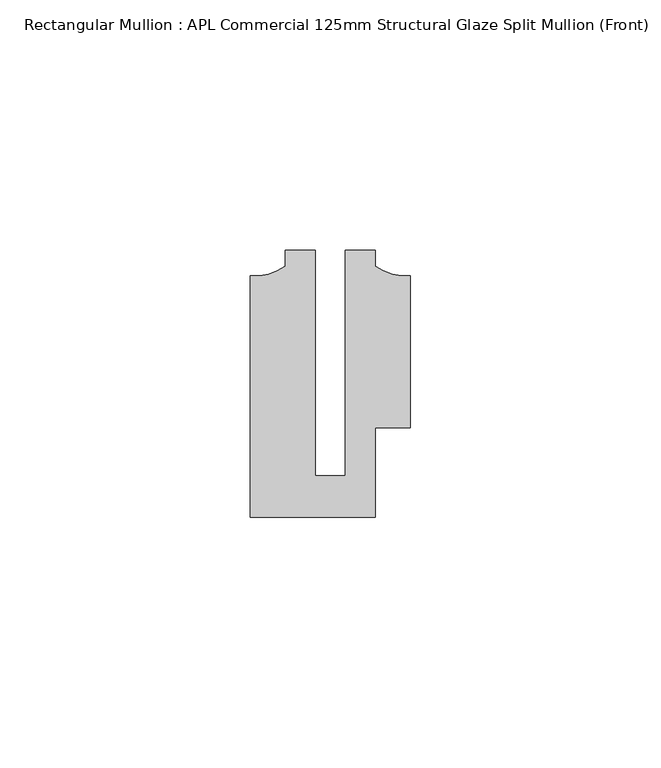
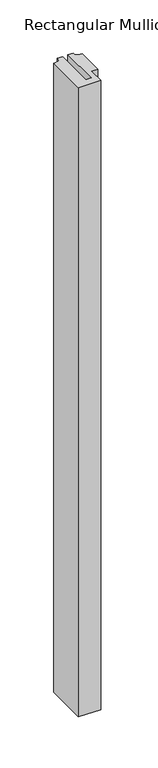
"""IFC4 building model written with IfcOpenShell, lengths in millimetres: member geometry, Rectangular Mullion : APL Commercial 125mm Structural Glaze Split Mullion (Front)."""

from ifc_helpers import new_model, si_unit, point, frame, frame_2d, origin, place, context, project, spatial, polyline, circle_curve, trimmed, segment, composite_curve, outline, extrude, source, transform, mapped, element, save


def rectangular_mullion_apl_commercial_125mm_structural_glaze_4788a359(model_context):
    return source(origin(), model_context, "Body", "SweptSolid", [
        extrude(outline(composite_curve([segment(polyline([(15.9999391, -14.9953356), (9.0, -14.9953356), (9.0, -32.7960123), (-15.9999391, -32.7960123), (-15.9999391, 15.3837352)]), True, "CONTINUOUS"), segment(trimmed(circle_curve(frame_2d((-15.1098019, 25.802169)), 10.4563907), [point((-15.9999391, 15.3837352))], [point((-8.9999842, 17.3165203))], True, "CARTESIAN"), True, "CONTINUOUS"), segment(polyline([(-8.9999842, 17.3165203), (-8.9999842, 20.5039877), (-2.9999659, 20.5039877), (-2.9999659, -24.5130805), (2.9999676, -24.5130805), (2.9999676, 20.5039877), (8.9999842, 20.5039877), (8.9999842, 17.3165203)]), True, "CONTINUOUS"), segment(trimmed(circle_curve(frame_2d((15.1098019, 25.802169)), 10.4563907), [point((8.9999842, 17.3165203))], [point((15.9999391, 15.3837352))], True, "CARTESIAN"), True, "CONTINUOUS"), segment(polyline([(15.9999391, 15.3837352), (15.9999391, -14.9953356)]), True, "CONTINUOUS")], self_intersect=False)), frame((0.0, 0.0, -750.9091217), z_axis=(0.0, 0.0, 1.0), x_axis=(1.0, 0.0, 0.0)), (0.0, 0.0, 1.0), 750.9091217),
    ])


if __name__ == "__main__":
    model = new_model("IFC4")
    model_context = context("Model", 3, world=origin())
    ifc_project = project(units=[si_unit("LENGTHUNIT", "METRE", prefix="MILLI")], contexts=[model_context])
    site = spatial("IfcSite", under=ifc_project)
    building = spatial("IfcBuilding", under=site)
    placement = place(None, origin())
    rectangular_mullion_apl_commercial_125mm_structural_glaze_shape = rectangular_mullion_apl_commercial_125mm_structural_glaze_4788a359(model_context)
    element("IfcMember", 1, ObjectType="Rectangular Mullion : APL Commercial 125mm Structural Glaze Split Mullion (Front)", at=placement, inside=building, context=model_context, shape_type="MappedRepresentation", body=[
        mapped(rectangular_mullion_apl_commercial_125mm_structural_glaze_shape, transform((0.0, 0.0, 0.0), x_axis=(1.0, 0.0, 0.0), y_axis=(0.0, 1.0, 0.0), z_axis=(0.0, 0.0, 1.0))),
    ])
    save(model, "model.ifc")
